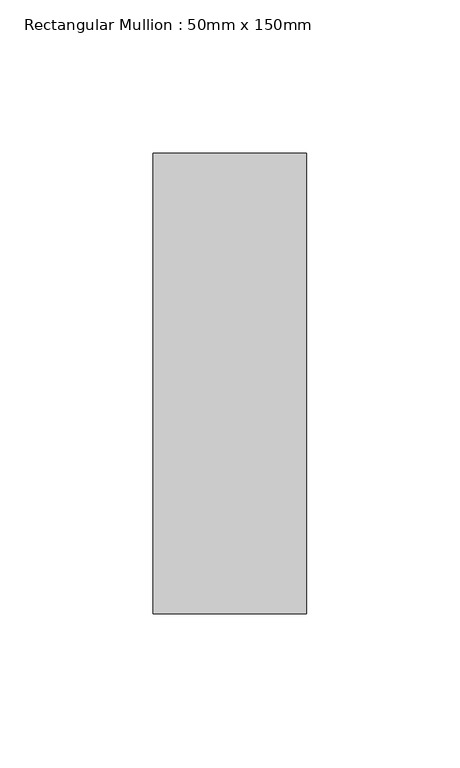
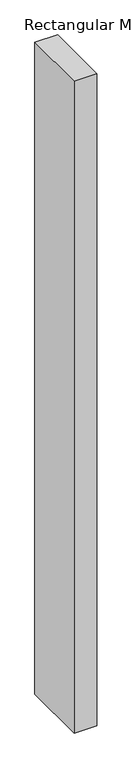
"""IFC4 building model written with IfcOpenShell, lengths in millimetres: member geometry, Rectangular Mullion : 50mm x 150mm."""

from ifc_helpers import new_model, si_unit, frame, origin, place, context, project, spatial, polyline, outline, extrude, source, transform, mapped, element, save


def rectangular_mullion_50mm_x_150mm_c314ef95(model_context):
    return source(origin(), model_context, "Body", "SweptSolid", [
        extrude(outline(polyline([(0.0, 75.0), (0.0, -75.0), (-50.0, -75.0), (-50.0, 75.0), (0.0, 75.0)])), frame((0.0, 0.0, -1520.0000002), z_axis=(0.0, 0.0, 1.0), x_axis=(1.0, 0.0, 0.0)), (0.0, 0.0, 1.0), 1520.0000002),
    ])


if __name__ == "__main__":
    model = new_model("IFC4")
    model_context = context("Model", 3, world=origin())
    ifc_project = project(units=[si_unit("LENGTHUNIT", "METRE", prefix="MILLI")], contexts=[model_context])
    site = spatial("IfcSite", under=ifc_project)
    building = spatial("IfcBuilding", under=site)
    placement = place(None, origin())
    rectangular_mullion_50mm_x_150mm_shape = rectangular_mullion_50mm_x_150mm_c314ef95(model_context)
    element("IfcMember", 1, ObjectType="Rectangular Mullion : 50mm x 150mm", at=placement, inside=building, context=model_context, shape_type="MappedRepresentation", body=[
        mapped(rectangular_mullion_50mm_x_150mm_shape, transform((0.0, 0.0, 0.0), x_axis=(1.0, 0.0, 0.0), y_axis=(0.0, 1.0, 0.0), z_axis=(0.0, 0.0, 1.0))),
    ])
    save(model, "model.ifc")
